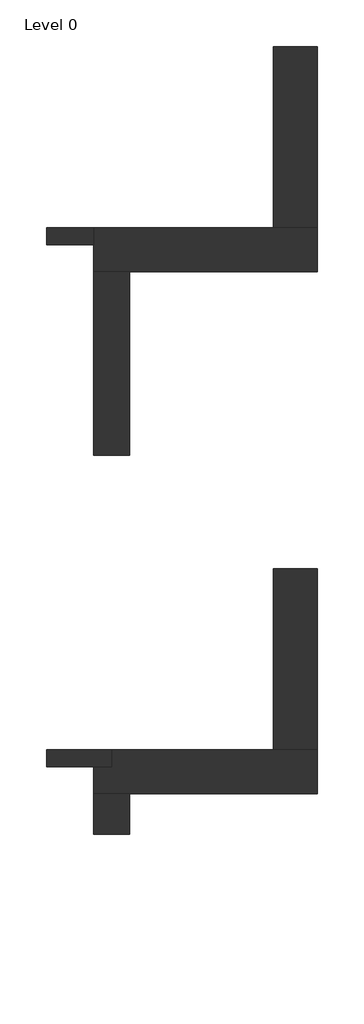
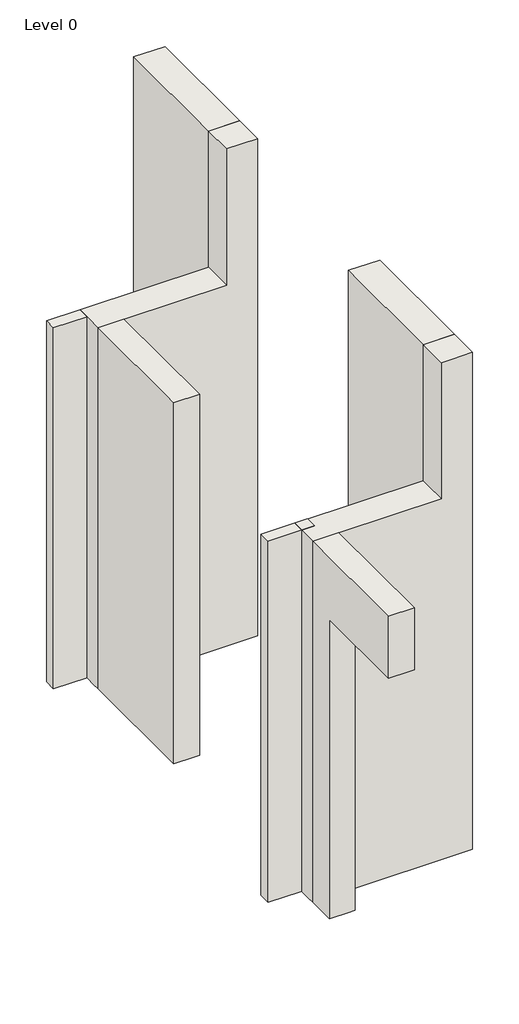
# One storey: 8 walls.
"""IFC4 building model written with IfcOpenShell, lengths in millimetres."""

from ifc_helpers import new_model, si_unit, frame, origin, origin_with_axes, place, context, project, spatial, polyline, outline, extrude, faceted_brep, element, save

model = new_model("IFC4")

# Units and contexts
model_context = context("Model", 3, world=origin())
ifc_project = project(units=[si_unit("LENGTHUNIT", "METRE", prefix="MILLI")], contexts=[model_context])

# Site, building, storey
site = spatial("IfcSite", under=ifc_project)
building = spatial("IfcBuilding", under=site)
storey = spatial("IfcBuildingStorey", under=building, Name="Level 0", Elevation=0.0)

# Walls
placement = place(None, origin())
element("IfcWall", 1, ObjectType="Block 140 Internal with PB both sides", at=placement, inside=storey, context=model_context, shape_type="SweptSolid", body=[
    extrude(outline(polyline([(-6454.1331311, 5674.0952308), (-5994.1331311, 5674.0952308), (-5994.1331311, 5509.0952308), (-6454.1331311, 5509.0952308), (-6454.1331311, 5674.0952308)])), origin_with_axes(), (0.0, 0.0, 1.0), 5230.0),
])
element("IfcWall", 2, ObjectType="Block 140 Internal with PB both sides", at=placement, inside=storey, context=model_context, shape_type="SweptSolid", body=[
    extrude(outline(polyline([(-6454.1331311, 574.0952308), (-5817.8831311, 574.0952308), (-5817.8831311, 409.0952308), (-6454.1331311, 409.0952308), (-6454.1331311, 574.0952308)])), origin_with_axes(), (0.0, 0.0, 1.0), 5230.0),
])
element("IfcWall", 3, ObjectType="Stone and LW common block", at=placement, inside=storey, context=model_context, shape_type="SweptSolid", body=[
    extrude(outline(polyline([(5230.0, -5994.1331311), (0.0, -5994.1331311), (0.0, -5741.6331311), (0.0, -5641.6331311), (5230.0, -5641.6331311), (5230.0, -5994.1331311)])), frame((0.0, 3451.1210185, 0.0), z_axis=(0.0, 1.0, 0.0), x_axis=(0.0, 0.0, 1.0)), (0.0, 0.0, 1.0), 1795.4742123),
])
element("IfcWall", 4, ObjectType="Stone and LW common block", at=placement, inside=storey, context=model_context, shape_type="Brep", body=[
    faceted_brep([(-5994.1331311, 146.5952308, 0.0), (-5994.1331311, -248.8789815, 0.0), (-5994.1331311, -248.8789815, 4329.9923406), (-5994.1331311, -1648.8789815, 4329.9923406), (-5994.1331311, -1648.8789815, 5229.9923406), (-5994.1331311, 146.5952308, 5229.9923406), (-5641.6331311, 146.5952308, 0.0), (-5641.6331311, 146.5952308, 5229.9923406), (-5641.6331311, -1648.8789815, 5229.9923406), (-5641.6331311, -1648.8789815, 4329.9923406), (-5641.6331311, -248.8789815, 4329.9923406), (-5641.6331311, -248.8789815, 0.0), (-5741.6331311, 146.5952308, 0.0), (-5741.6331311, -1648.8789815, 4329.9923406), (-5741.6331311, -248.8789815, 0.0), (-5741.6331311, -248.8789815, 4329.9923406)], [[[0, 1, 2, 3, 4, 5]], [[6, 7, 8, 9, 10, 11]], [[0, 5, 7, 6, 12]], [[4, 3, 13, 9, 8]], [[5, 4, 8, 7]], [[1, 0, 12, 14]], [[12, 6, 11, 14]], [[2, 1, 14, 11, 10, 15]], [[3, 2, 15, 13]], [[15, 10, 9, 13]]]),
])
element("IfcWall", 5, ObjectType="Stone and LW common block 215", at=placement, inside=storey, context=model_context, shape_type="Brep", body=[
    faceted_brep([(-5994.1331311, 5246.5952308, 0.0), (-5641.6331311, 5246.5952308, 0.0), (-3805.8187144, 5246.5952308, 0.0), (-3805.8187144, 5246.5952308, 7200.0), (-4233.3187144, 5246.5952308, 7200.0), (-4233.3187144, 5246.5952308, 5229.9923406), (-5641.6331311, 5246.5952308, 5229.9923406), (-5994.1331311, 5246.5952308, 5229.9923406), (-5994.1331311, 5674.0952308, 0.0), (-5994.1331311, 5674.0952308, 5229.9923406), (-4233.3187144, 5674.0952308, 5229.9923406), (-4233.3187144, 5674.0952308, 7200.0), (-3805.8187144, 5674.0952308, 7200.0), (-3805.8187144, 5674.0952308, 0.0), (-4233.3187144, 5674.0952308, 0.0), (-5994.1331311, 5346.5952308, 0.0), (-3805.8187144, 5346.5952308, 0.0), (-5994.1331311, 5509.0952308, 5229.9923406), (-5994.1331311, 5509.0952308, 0.0)], [[[0, 1, 2, 3, 4, 5, 6, 7]], [[8, 9, 10, 11, 12, 13, 14]], [[2, 1, 0, 15, 16]], [[3, 2, 16, 13, 12]], [[0, 7, 17, 9, 8, 18, 15]], [[4, 3, 12, 11]], [[15, 18, 8, 14, 13, 16]], [[5, 4, 11, 10]], [[7, 6, 5, 10, 9, 17]]]),
])
element("IfcWall", 6, ObjectType="Stone and LW common block 215", at=placement, inside=storey, context=model_context, shape_type="Brep", body=[
    faceted_brep([(-3805.8187144, 5674.0952308, 0.0), (-3805.8187144, 7446.5952308, 0.0), (-3805.8187144, 7446.5952308, 7200.0), (-3805.8187144, 5674.0952308, 7200.0), (-4233.3187144, 5674.0952308, 0.0), (-4233.3187144, 5674.0952308, 5229.9923406), (-4233.3187144, 5674.0952308, 7200.0), (-4233.3187144, 7446.5952308, 7200.0), (-4233.3187144, 7446.5952308, 0.0), (-3905.8187144, 7446.5952308, 0.0), (-3905.8187144, 5674.0952308, 0.0)], [[[0, 1, 2, 3]], [[4, 5, 6, 7, 8]], [[2, 1, 9, 8, 7]], [[3, 2, 7, 6]], [[10, 4, 8, 9]], [[1, 0, 10, 9]], [[0, 3, 6, 5, 4, 10]]]),
])
element("IfcWall", 7, ObjectType="Stone and LW common block 215", at=placement, inside=storey, context=model_context, shape_type="Brep", body=[
    faceted_brep([(-5994.1331311, 146.5952308, 0.0), (-5641.6331311, 146.5952308, 0.0), (-3805.8187144, 146.5952308, 0.0), (-3805.8187144, 146.5952308, 7200.0), (-4233.3187144, 146.5952308, 7200.0), (-4233.3187144, 146.5952308, 5229.9923406), (-5641.6331311, 146.5952308, 5229.9923406), (-5994.1331311, 146.5952308, 5229.9923406), (-5994.1331311, 574.0952308, 0.0), (-5994.1331311, 574.0952308, 5229.9923406), (-4233.3187144, 574.0952308, 5229.9923406), (-4233.3187144, 574.0952308, 7200.0), (-3805.8187144, 574.0952308, 7200.0), (-3805.8187144, 574.0952308, 0.0), (-4233.3187144, 574.0952308, 0.0), (-5994.1331311, 246.5952308, 0.0), (-3805.8187144, 246.5952308, 0.0)], [[[0, 1, 2, 3, 4, 5, 6, 7]], [[8, 9, 10, 11, 12, 13, 14]], [[2, 1, 0, 15, 16]], [[3, 2, 16, 13, 12]], [[0, 7, 9, 8, 15]], [[4, 3, 12, 11]], [[15, 8, 14, 13, 16]], [[5, 4, 11, 10]], [[7, 6, 5, 10, 9]]]),
])
element("IfcWall", 8, ObjectType="Stone and LW common block 215", at=placement, inside=storey, context=model_context, shape_type="Brep", body=[
    faceted_brep([(-3805.8187144, 574.0952308, 0.0), (-3805.8187144, 2346.5952308, 0.0), (-3805.8187144, 2346.5952308, 7200.0), (-3805.8187144, 574.0952308, 7200.0), (-4233.3187144, 574.0952308, 0.0), (-4233.3187144, 574.0952308, 5229.9923406), (-4233.3187144, 574.0952308, 7200.0), (-4233.3187144, 2346.5952308, 7200.0), (-4233.3187144, 2346.5952308, 0.0), (-3905.8187144, 2346.5952308, 0.0), (-3905.8187144, 574.0952308, 0.0)], [[[0, 1, 2, 3]], [[4, 5, 6, 7, 8]], [[2, 1, 9, 8, 7]], [[3, 2, 7, 6]], [[10, 4, 8, 9]], [[1, 0, 10, 9]], [[0, 3, 6, 5, 4, 10]]]),
])

save(model, "model.ifc")
